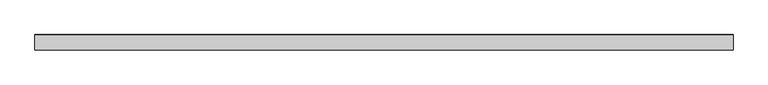
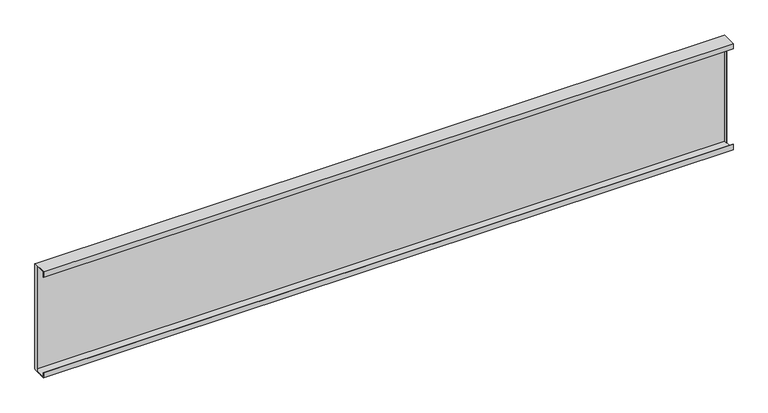
"""IFC4 building model written with IfcOpenShell, lengths in millimetres: plate geometry."""

from ifc_helpers import new_model, si_unit, frame, origin, place, context, project, spatial, polyline, outline, extrude, faceted_brep, source, transform, mapped, element, save


def plate_1afc1bc8(model_context):
    return source(origin(), model_context, "Body", "SolidModel", [
        faceted_brep([(-918.4249998, 39.2, 298.4), (-918.4249998, 30.0, 298.4), (-918.4249998, 30.0, 0.8), (-918.4249998, 39.2, 0.8), (-918.4249998, 39.2, 10.0), (-918.4249998, 40.0, 10.0), (-918.4249998, 40.0, 289.2), (-918.4249998, 39.2, 289.2), (-919.2249998, 30.0, 298.4), (-919.2249998, 30.0, 0.8), (-919.2249998, 38.8, 299.2), (-919.2249998, 40.0, 298.0), (-919.2249998, 40.0, 1.15), (-919.2249998, 38.85, 0.0), (-919.2249998, 0.0, 0.0), (-919.2249998, 0.0, 15.0), (-919.2249998, 0.8, 15.0), (-919.2249998, 0.8, 0.8), (-919.2249998, 0.8, 298.4), (-919.2249998, 0.8, 284.2), (-919.2249998, 0.0, 284.2), (-919.2249998, 0.0, 299.2), (919.2249998, 38.85, 0.0), (919.2249998, 0.0, 0.0), (918.4249998, 38.85, 0.0), (919.2249998, 40.0, 298.0), (919.2249998, 40.0, 1.15), (918.4249998, 40.0, 10.0), (918.4249998, 40.0, 289.2), (919.2249998, 0.0, 299.2), (919.2249998, 38.8, 299.2), (918.4249998, 38.8, 299.2), (919.2249998, 0.0, 284.2), (919.2249998, 0.8, 284.2), (919.2249998, 0.8, 298.4), (919.2249998, 30.0, 298.4), (919.2249998, 30.0, 0.8), (919.2249998, 0.8, 0.8), (919.2249998, 0.8, 15.0), (919.2249998, 0.0, 15.0), (918.4249998, 39.2, 298.4), (918.4249998, 30.0, 298.4), (918.4249998, 39.2, 289.2), (918.4249998, 30.0, 0.8), (918.4249998, 39.2, 0.8), (918.4249998, 39.2, 10.0)], [[[0, 1, 2, 3, 4, 5, 6, 7]], [[1, 8, 9, 2]], [[10, 11, 12, 13, 14, 15, 16, 17, 9, 8, 18, 19, 20, 21]], [[22, 23, 14, 13, 24]], [[12, 11, 25, 26], [5, 27, 28, 6]], [[21, 29, 30, 31, 10]], [[26, 25, 30, 29, 32, 33, 34, 35, 36, 37, 38, 39, 23, 22]], [[32, 29, 21, 20]], [[33, 32, 20, 19]], [[34, 33, 19, 18]], [[34, 18, 8, 1, 0, 40, 41, 35]], [[0, 7, 42, 40]], [[7, 6, 28, 42]], [[23, 39, 15, 14]], [[39, 38, 16, 15]], [[38, 37, 17, 16]], [[17, 37, 36, 43, 44, 3, 2, 9]], [[4, 3, 44, 45]], [[5, 4, 45, 27]], [[13, 12, 26, 22, 24]], [[25, 11, 10, 31, 30]], [[28, 27, 45, 44, 43, 41, 40, 42]], [[36, 35, 41, 43]]]),
        extrude(outline(polyline([(918.4249998, 38.0), (-918.4249998, 38.0), (-918.4249998, 39.5), (918.4249998, 39.5), (918.4249998, 38.0)])), frame((0.0, 0.0, 0.8), z_axis=(0.0, 0.0, 1.0), x_axis=(1.0, 0.0, 0.0)), (0.0, 0.0, 1.0), 297.6),
        extrude(outline(polyline([(918.4249998, 39.2), (-918.4249998, 39.2), (-918.4249998, 40.0), (918.4249998, 40.0), (918.4249998, 39.2)])), frame((0.0, 0.0, 10.0), z_axis=(0.0, 0.0, 1.0), x_axis=(1.0, 0.0, 0.0)), (0.0, 0.0, 1.0), 279.2),
    ])


if __name__ == "__main__":
    model = new_model("IFC4")
    model_context = context("Model", 3, world=origin())
    ifc_project = project(units=[si_unit("LENGTHUNIT", "METRE", prefix="MILLI")], contexts=[model_context])
    site = spatial("IfcSite", under=ifc_project)
    building = spatial("IfcBuilding", under=site)
    placement = place(None, origin())
    plate_shape = plate_1afc1bc8(model_context)
    element("IfcPlate", 1, at=placement, inside=building, context=model_context, shape_type="MappedRepresentation", body=[
        mapped(plate_shape, transform((0.0, 0.0, 0.0), x_axis=(1.0, 0.0, 0.0), y_axis=(0.0, 1.0, 0.0), z_axis=(0.0, 0.0, 1.0))),
    ])
    save(model, "model.ifc")
